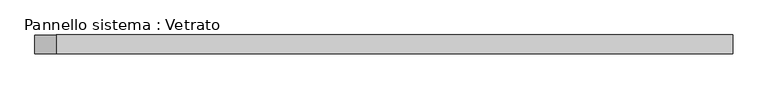
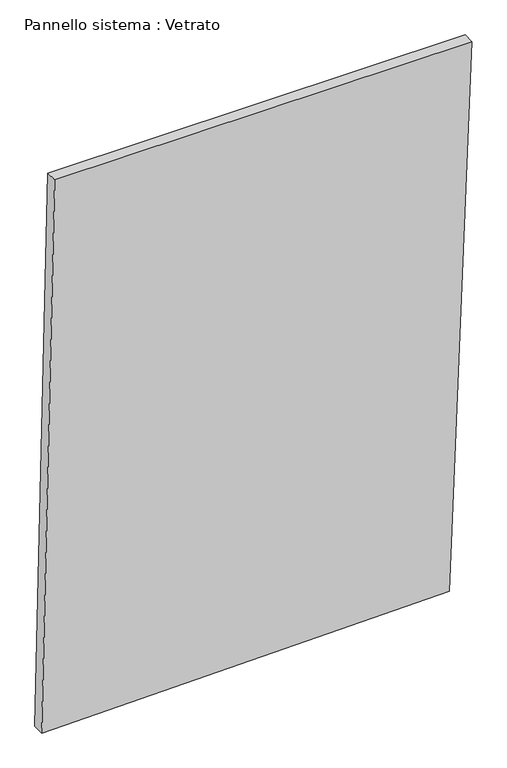
"""IFC4 building model written with IfcOpenShell, lengths in millimetres: plate geometry, Pannello sistema : Vetrato."""

import ifcopenshell
import ifcopenshell.guid

model = None  # the IFC model being written
_history = None  # IfcOwnerHistory: only IFC2X3 demands one
_inside = {}  # id of a spatial element -> (the spatial element, [elements in it])
_under = {}  # id of a project, library or spatial element -> (it, [spatial elements below it])
_declared = {}  # id of a project -> (the project, [libraries it declares])
_typed = {}  # id of a type object -> (the type object, [elements of that type])
_made_of = {}  # id of a material, layer set ... -> (it, [elements and type objects made of it])


def new_model(schema):
    """Start an empty IFC model of exactly this schema.

    Asked for "IFC4X3", IfcOpenShell would pick the latest addendum, in which some entities
    have other attributes; the version numbers below select the first issue.
    IFC2X3 requires an IfcOwnerHistory on every rooted entity: one is made here for all.
    """
    global model, _history
    if schema == "IFC4X3":
        model = ifcopenshell.file(schema_version=(4, 3, 0, 0))
    else:
        model = ifcopenshell.file(schema=schema)
    _inside.clear()
    _under.clear()
    _declared.clear()
    _typed.clear()
    _made_of.clear()
    _history = None
    if model.schema == "IFC2X3":
        org = make("IfcOrganization", Name="unknown")
        user = make(
            "IfcPersonAndOrganization",
            ThePerson=make("IfcPerson", FamilyName="unknown"),
            TheOrganization=org,
        )
        app = make(
            "IfcApplication",
            ApplicationDeveloper=org,
            Version="unknown",
            ApplicationFullName="unknown",
            ApplicationIdentifier="unknown",
        )
        _history = make(
            "IfcOwnerHistory",
            OwningUser=user,
            OwningApplication=app,
            ChangeAction="ADDED",
            CreationDate=0,
        )
    return model


def make(cls, **values):
    """One entity of the class cls with the attributes given. An attribute that is None is left unset."""
    return model.create_entity(
        cls, **{name: value for name, value in values.items() if value is not None}
    )


def rooted(cls, **values):
    """An entity with a GlobalId (a new one), such as an element, a storey or a relation."""
    return make(cls, GlobalId=ifcopenshell.guid.new(), OwnerHistory=_history, **values)


def si_unit(unit_type, name, prefix=None):
    """IfcSIUnit, for example si_unit("LENGTHUNIT", "METRE", prefix="MILLI")."""
    return make("IfcSIUnit", UnitType=unit_type, Prefix=prefix, Name=name)


def assignment(units):
    """IfcUnitAssignment: the units of a project."""
    return None if units is None else make("IfcUnitAssignment", Units=units)


def point(xyz):
    """IfcCartesianPoint."""
    return None if xyz is None else make("IfcCartesianPoint", Coordinates=xyz)


def direction(xyz):
    """IfcDirection."""
    return None if xyz is None else make("IfcDirection", DirectionRatios=xyz)


def frame(location, z_axis=None, x_axis=None):
    """IfcAxis2Placement3D, a coordinate frame: its origin and axes. An axis left out is left unset."""
    return make(
        "IfcAxis2Placement3D",
        Location=point(location),
        Axis=direction(z_axis),
        RefDirection=direction(x_axis),
    )


def origin():
    """The frame at (0, 0, 0) with its axes left unset."""
    return frame((0.0, 0.0, 0.0))


def place(relative_to, where):
    """IfcLocalPlacement: puts the frame where relative to a parent placement (None: the world)."""
    return make(
        "IfcLocalPlacement", PlacementRelTo=relative_to, RelativePlacement=where
    )


def context(
    kind, dimensions, precision=None, world=None, true_north=None, identifier=None
):
    """IfcGeometricRepresentationContext, for example the 3D "Model" context."""
    return make(
        "IfcGeometricRepresentationContext",
        ContextIdentifier=identifier,
        ContextType=kind,
        CoordinateSpaceDimension=dimensions,
        Precision=precision,
        WorldCoordinateSystem=world,
        TrueNorth=true_north,
    )


def project(units=None, contexts=None):
    """IfcProject with its units and contexts."""
    return rooted(
        "IfcProject",
        Name="project",
        RepresentationContexts=contexts,
        UnitsInContext=assignment(units),
    )


def spatial(cls, under=None, at=None, **own):
    """A site, building, storey or space (cls), placed at a placement, below another one or the project."""
    s = rooted(cls, ObjectPlacement=at, **own)
    if under is not None:
        _under.setdefault(under.id(), (under, []))[1].append(s)
    return s


def polyline(points):
    """IfcPolyline through the points."""
    return make("IfcPolyline", Points=[point(p) for p in points])


def outline(outer, holes=None, kind="AREA"):
    """IfcArbitraryClosedProfileDef: a profile drawn as a closed curve; with holes, ...WithVoids."""
    if holes is None:
        return make("IfcArbitraryClosedProfileDef", ProfileType=kind, OuterCurve=outer)
    return make(
        "IfcArbitraryProfileDefWithVoids",
        ProfileType=kind,
        OuterCurve=outer,
        InnerCurves=holes,
    )


def extrude(swept, where, along, depth):
    """IfcExtrudedAreaSolid: the profile swept, set in the frame where, extruded along a direction by depth."""
    return make(
        "IfcExtrudedAreaSolid",
        SweptArea=swept,
        Position=where,
        ExtrudedDirection=direction(along),
        Depth=depth,
    )


def shape(context_of_items, identifier, shape_type, items):
    """IfcShapeRepresentation: the items that make up one representation, for example the "Body"."""
    return make(
        "IfcShapeRepresentation",
        ContextOfItems=context_of_items,
        RepresentationIdentifier=identifier,
        RepresentationType=shape_type,
        Items=items,
    )


def source(mapping_origin, context_of_items, identifier, shape_type, items):
    """IfcRepresentationMap: a shape defined once, which mapped items show again and again."""
    return make(
        "IfcRepresentationMap",
        MappingOrigin=mapping_origin,
        MappedRepresentation=shape(context_of_items, identifier, shape_type, items),
    )


def transform(
    local_origin,
    x_axis=None,
    y_axis=None,
    z_axis=None,
    scale=None,
    scale2=None,
    scale3=None,
    uniform=True,
):
    """IfcCartesianTransformationOperator3D, or its non-uniform kind. x_axis, y_axis, z_axis: its Axis1, 2, 3."""
    if uniform:
        return make(
            "IfcCartesianTransformationOperator3D",
            Axis1=direction(x_axis),
            Axis2=direction(y_axis),
            LocalOrigin=point(local_origin),
            Scale=scale,
            Axis3=direction(z_axis),
        )
    return make(
        "IfcCartesianTransformationOperator3DnonUniform",
        Axis1=direction(x_axis),
        Axis2=direction(y_axis),
        LocalOrigin=point(local_origin),
        Scale=scale,
        Axis3=direction(z_axis),
        Scale2=scale2,
        Scale3=scale3,
    )


def mapped(mapping_source, mapping_target):
    """IfcMappedItem: shows the shape of a source again, moved by a transform."""
    return make(
        "IfcMappedItem", MappingSource=mapping_source, MappingTarget=mapping_target
    )


def made_of(thing, what):
    """Note that an element or type object is made of a material, layer set ...; save() writes the relation."""
    if what is not None:
        _made_of.setdefault(what.id(), (what, []))[1].append(thing)
    return thing


def element(
    cls,
    number,
    at=None,
    inside=None,
    cuts=None,
    type_object=None,
    material=None,
    context=None,
    identifier="Body",
    shape_type=None,
    held_by="IfcProductDefinitionShape",
    body=None,
    shapes=None,
    **own,
):
    """One element of the class cls, such as IfcWall. Its Tag is "e" and its number.

    at: its placement. inside: the storey or other place that contains it. cuts: it is an
    opening in that element (IfcRelVoidsElement). A single representation is given by context,
    identifier, shape_type and body (its items); several are given by shapes. held_by: the class
    of the entity that holds the representations. save() writes the other relations.
    """
    e = rooted(cls, Tag="e%d" % number, ObjectPlacement=at, **own)
    if body is not None:
        shapes = [shape(context, identifier, shape_type, body)]
    if shapes is not None:
        e.Representation = make(held_by, Representations=shapes)
    if inside is not None:
        _inside.setdefault(inside.id(), (inside, []))[1].append(e)
    if cuts is not None:
        rooted(
            "IfcRelVoidsElement", RelatingBuildingElement=cuts, RelatedOpeningElement=e
        )
    if type_object is not None:
        _typed.setdefault(type_object.id(), (type_object, []))[1].append(e)
    return made_of(e, material)


def aggregate(whole, parts):
    """IfcRelAggregates: a whole, such as a stair, and the parts it consists of."""
    return rooted("IfcRelAggregates", RelatingObject=whole, RelatedObjects=parts)


def save(model, path):
    """Write the relations noted so far, then the file.

    IfcRelAggregates (storeys below a building ...), IfcRelContainedInSpatialStructure (elements
    in a storey), IfcRelDefinesByType, IfcRelAssociatesMaterial and IfcRelDeclares: one each for
    every whole, place, type object, material and project.
    """
    for whole, parts in _under.values():
        aggregate(whole, parts)
    for where, things in _inside.values():
        rooted(
            "IfcRelContainedInSpatialStructure",
            RelatedElements=things,
            RelatingStructure=where,
        )
    for kind, things in _typed.values():
        rooted("IfcRelDefinesByType", RelatedObjects=things, RelatingType=kind)
    for what, things in _made_of.values():
        rooted("IfcRelAssociatesMaterial", RelatedObjects=things, RelatingMaterial=what)
    for by, libraries in _declared.values():
        rooted("IfcRelDeclares", RelatingContext=by, RelatedDefinitions=libraries)
    model.write(path)


def pannello_sistema_vetrato_a49b2385(model_context):
    return source(origin(), model_context, "Body", "SweptSolid", [
        extrude(outline(polyline([(0.0, -560.8042935), (18.5995395, 501.3569167), (1512.7976678, 560.8042935), (1512.7976664, -526.7820344), (0.0, -560.8042935)])), frame((0.0, -15.0, 0.0), z_axis=(0.0, 1.0, 0.0), x_axis=(0.0, 0.0, 1.0)), (0.0, 0.0, 1.0), 30.0),
    ])


if __name__ == "__main__":
    model = new_model("IFC4")
    model_context = context("Model", 3, world=origin())
    ifc_project = project(units=[si_unit("LENGTHUNIT", "METRE", prefix="MILLI")], contexts=[model_context])
    site = spatial("IfcSite", under=ifc_project)
    building = spatial("IfcBuilding", under=site)
    placement = place(None, origin())
    pannello_sistema_vetrato_shape = pannello_sistema_vetrato_a49b2385(model_context)
    element("IfcPlate", 1, ObjectType="Pannello sistema : Vetrato", at=placement, inside=building, context=model_context, shape_type="MappedRepresentation", body=[
        mapped(pannello_sistema_vetrato_shape, transform((0.0, 0.0, 0.0), x_axis=(1.0, 0.0, 0.0), y_axis=(0.0, 1.0, 0.0), z_axis=(0.0, 0.0, 1.0))),
    ])
    save(model, "model.ifc")
